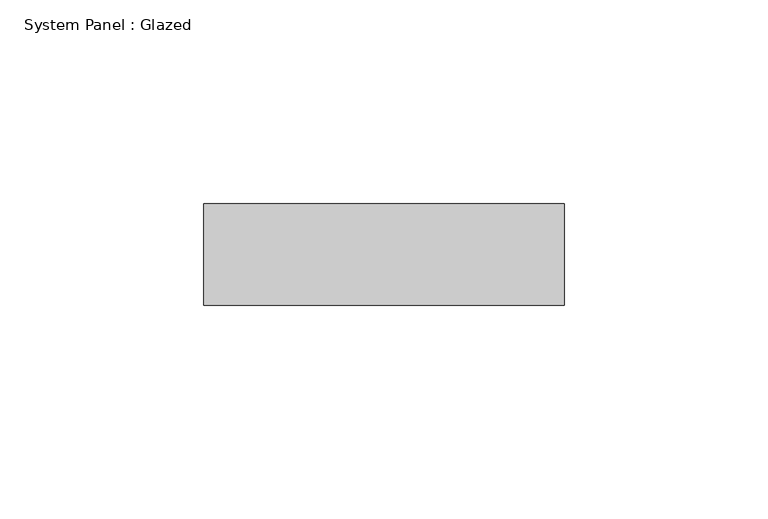
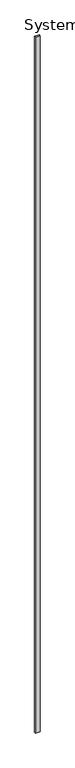
"""IFC4 building model written with IfcOpenShell, lengths in millimetres: plate geometry, System Panel : Glazed."""

from ifc_helpers import new_model, si_unit, origin, origin_with_axes, place, context, project, spatial, polyline, outline, extrude, source, transform, mapped, element, save


def system_panel_glazed_0adb3296(model_context):
    return source(origin(), model_context, "Body", "SweptSolid", [
        extrude(outline(polyline([(44.3110094, -77.5), (-44.3110094, -77.5), (-44.3110094, -52.5), (44.3110094, -52.5), (44.3110094, -77.5)])), origin_with_axes(), (0.0, 0.0, 1.0), 14020.0),
    ])


if __name__ == "__main__":
    model = new_model("IFC4")
    model_context = context("Model", 3, world=origin())
    ifc_project = project(units=[si_unit("LENGTHUNIT", "METRE", prefix="MILLI")], contexts=[model_context])
    site = spatial("IfcSite", under=ifc_project)
    building = spatial("IfcBuilding", under=site)
    placement = place(None, origin())
    system_panel_glazed_shape = system_panel_glazed_0adb3296(model_context)
    element("IfcPlate", 1, ObjectType="System Panel : Glazed", at=placement, inside=building, context=model_context, shape_type="MappedRepresentation", body=[
        mapped(system_panel_glazed_shape, transform((0.0, 0.0, 0.0), x_axis=(1.0, 0.0, 0.0), y_axis=(0.0, 1.0, 0.0), z_axis=(0.0, 0.0, 1.0))),
    ])
    save(model, "model.ifc")
